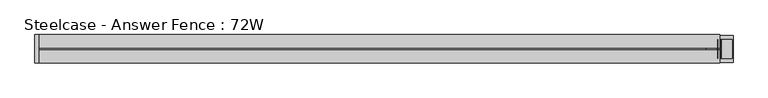
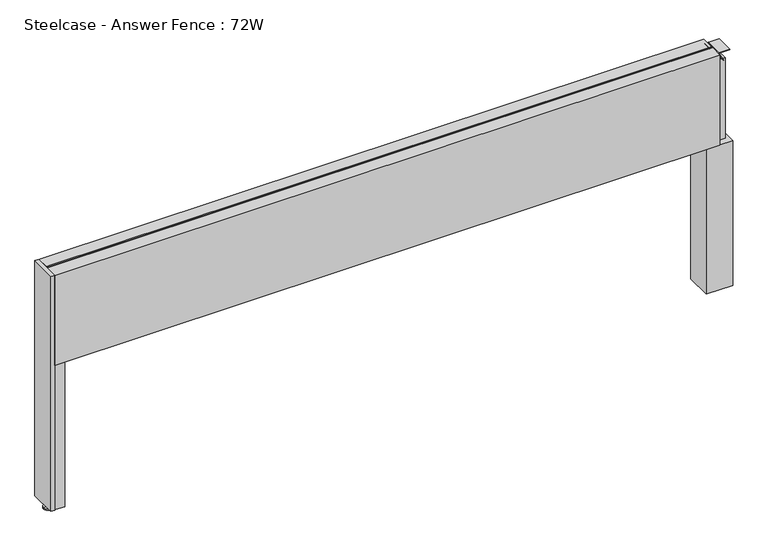
"""IFC4 building model written with IfcOpenShell, lengths in millimetres: furniture geometry, Steelcase - Answer Fence : 72W."""

from ifc_helpers import new_model, si_unit, point, frame, frame_2d, origin, place, context, project, spatial, polyline, circle_curve, trimmed, segment, composite_curve, outline, extrude, source, transform, mapped, element, save
from ifc_brep_helpers import plane_surface, cylinder_surface, revolved_surface, advanced_brep


def steelcase_answer_fence_72w_f67a9e0d(model_context):
    return source(origin(), model_context, "Body", "SolidModel", [
        extrude(outline(polyline([(1825.0153999, 28.9756526), (1825.0153999, -43.7191471), (1752.3206001, -43.7191471), (1752.3206001, 28.9756526), (1825.0153999, 28.9756526)])), frame((0.0, 0.0, 15.4939671), z_axis=(0.0, 0.0, 1.0), x_axis=(1.0, 0.0, 0.0)), (0.0, 0.0, 1.0), 420.9763759),
        extrude(outline(composite_curve([segment(polyline([(694.8271015, 1753.5942703), (694.8271015, 1782.4823183)]), True, "CONTINUOUS"), segment(trimmed(circle_curve(frame_2d((693.8373834, 1782.4823183)), 0.9897181), [point((694.8271015, 1782.4823183))], [point((693.3575585, 1783.3479452))], True, "CARTESIAN"), True, "CONTINUOUS"), segment(polyline([(693.3575585, 1783.3479452), (670.7684479, 1770.8265967), (670.3405135, 1771.5983685), (693.0018984, 1784.1637221)]), True, "CONTINUOUS"), segment(trimmed(circle_curve(frame_2d((693.8919079, 1782.5586063)), 1.8353511), [point((693.0018984, 1784.1637221))], [point((695.7272589, 1782.5586063))], False, "CARTESIAN"), True, "CONTINUOUS"), segment(polyline([(695.7272589, 1782.5586063), (695.7272589, 1753.5942703), (694.8271015, 1753.5942703)]), True, "CONTINUOUS")], self_intersect=False)), frame((0.0, -33.0896971, 0.0), z_axis=(0.0, 1.0, 0.0), x_axis=(0.0, 0.0, 1.0)), (0.0, 0.0, 1.0), 50.8000666),
        extrude(outline(composite_curve([segment(polyline([(694.8271015, 1823.3448547), (695.7272589, 1823.3448547), (695.7272589, 1794.3805187)]), True, "CONTINUOUS"), segment(trimmed(circle_curve(frame_2d((693.8919079, 1794.3805187)), 1.8353511), [point((695.7272589, 1794.3805187))], [point((693.0018984, 1792.7754029))], False, "CARTESIAN"), True, "CONTINUOUS"), segment(polyline([(693.0018984, 1792.7754029), (670.3405135, 1805.3407565), (670.7684479, 1806.1125283), (693.3575585, 1793.5911798)]), True, "CONTINUOUS"), segment(trimmed(circle_curve(frame_2d((693.8373834, 1794.4568067)), 0.9897181), [point((693.3575585, 1793.5911798))], [point((694.8271015, 1794.4568067))], True, "CARTESIAN"), True, "CONTINUOUS"), segment(polyline([(694.8271015, 1794.4568067), (694.8271015, 1823.3448547)]), True, "CONTINUOUS")], self_intersect=False)), frame((0.0, -33.0896971, 0.0), z_axis=(0.0, 1.0, 0.0), x_axis=(0.0, 0.0, 1.0)), (0.0, 0.0, 1.0), 50.8000666),
        extrude(outline(polyline([(1813.9938496, 11.3543833), (1813.9938496, -26.7337081), (1763.1938496, -26.7337081), (1763.1938496, 11.3543833), (1813.9938496, 11.3543833)])), frame((0.0, 0.0, 436.470343), z_axis=(0.0, 0.0, 1.0), x_axis=(1.0, 0.0, 0.0)), (0.0, 0.0, 1.0), 233.7346385),
        advanced_brep(
        [(-47.4460299, -7.4168014, -3.29e-05), (-21.9950726, -7.4168014, -3.29e-05), (-34.7205512, -7.4168014, -3.29e-05), (-47.4460299, -7.4168014, 2.446593), (-21.9950726, -7.4168014, 2.446593), (-39.6754775, -7.4168014, 4.8561413), (-29.765625, -7.4168014, 4.8561413), (-38.5932872, -7.4168014, 4.8561413), (-30.8478153, -7.4168014, 4.8561413), (-38.5932872, -7.4168014, 15.4939671), (-30.8478153, -7.4168014, 15.4939671), (-34.7205512, -7.4168014, 15.4939671)],
        [
            (0, 1, circle_curve(frame((-34.7205512, -7.4168014, -3.29e-05), z_axis=(0.0, 0.0, -1.0), x_axis=(1.0000000000000004, 0.0, 0.0)), 12.7254787)),
            (1, 2),
            (2, 0),
            (1, 0, circle_curve(frame((-34.7205512, -7.4168014, -3.29e-05), z_axis=(0.0, 0.0, -1.0), x_axis=(1.0000000000000004, 0.0, 0.0)), 12.7254787)),
            (3, 4, circle_curve(frame((-34.7205512, -7.4168014, 2.446593), z_axis=(0.0, 0.0, -1.0), x_axis=(1.0000000000000004, 0.0, 0.0)), 12.7254787)),
            (4, 1),
            (0, 3),
            (4, 3, circle_curve(frame((-34.7205512, -7.4168014, 2.446593), z_axis=(0.0, 0.0, -1.0), x_axis=(1.0000000000000004, 0.0, 0.0)), 12.7254787)),
            (5, 6, circle_curve(frame((-34.7205512, -7.4168014, 4.8561413), z_axis=(0.0, 0.0, -1.0), x_axis=(1.0000000000000004, 0.0, 0.0)), 4.9549262)),
            (6, 4),
            (3, 5),
            (6, 5, circle_curve(frame((-34.7205512, -7.4168014, 4.8561413), z_axis=(0.0, 0.0, -1.0), x_axis=(1.0000000000000004, 0.0, 0.0)), 4.9549262)),
            (7, 8, circle_curve(frame((-34.7205512, -7.4168014, 4.8561413), z_axis=(0.0, 0.0, -1.0), x_axis=(1.0000000000000004, 0.0, 0.0)), 3.8727359)),
            (8, 6),
            (5, 7),
            (8, 7, circle_curve(frame((-34.7205512, -7.4168014, 4.8561413), z_axis=(0.0, 0.0, -1.0), x_axis=(1.0000000000000004, 0.0, 0.0)), 3.8727359)),
            (9, 10, circle_curve(frame((-34.7205512, -7.4168014, 15.4939671), z_axis=(0.0, 0.0, -1.0), x_axis=(1.0000000000000004, 0.0, 0.0)), 3.8727359)),
            (10, 8),
            (7, 9),
            (10, 9, circle_curve(frame((-34.7205512, -7.4168014, 15.4939671), z_axis=(0.0, 0.0, -1.0), x_axis=(1.0000000000000004, 0.0, 0.0)), 3.8727359)),
            (11, 10),
            (9, 11),
        ],
        [
            plane_surface(frame((-34.7205512, -7.4168014, -3.29e-05), z_axis=(0.0, 0.0, -1.0), x_axis=(1.0, 0.0, 0.0))),
            cylinder_surface(frame((-34.7205512, -7.4168014, -1.135133), z_axis=(0.0, 0.0, 1.0), x_axis=(1.0000000000000004, 0.0, 0.0)), 12.7254787),
            revolved_surface(polyline([(-21.9950726, -7.4168014, 2.446593), (-29.765625, -7.4168014, 4.8561413)]), (-34.7205512, -7.4168014, -1.135133), (0.0, 0.0, 1.0)),
            plane_surface(frame((-34.7205512, -7.4168014, 4.8561413), z_axis=(0.0, 0.0, 1.0), x_axis=(1.0, 0.0, 0.0))),
            cylinder_surface(frame((-34.7205512, -7.4168014, -1.135133), z_axis=(0.0, 0.0, 1.0), x_axis=(1.0000000000000004, 0.0, 0.0)), 3.8727359),
            plane_surface(frame((-34.7205512, -7.4168014, 15.4939671), z_axis=(0.0, 0.0, 1.0), x_axis=(1.0, 0.0, 0.0))),
        ],
        [
            (0, [[1, 2, 3]]),
            (0, [[4, -3, -2]]),
            (1, [[5, 6, -1, 7]]),
            (1, [[8, -7, -4, -6]]),
            (2, [[9, 10, -5, 11]]),
            (2, [[12, -11, -8, -10]]),
            (3, [[13, 14, -9, 15]]),
            (3, [[16, -15, -12, -14]]),
            (4, [[17, 18, -13, 19]]),
            (4, [[20, -19, -16, -18]]),
            (5, [[21, -17, 22]]),
            (5, [[-22, -20, -21]]),
        ],
    ),
        extrude(outline(polyline([(-9.935178, -43.8092555), (-38.0832543, -43.8092555), (-38.0832543, -32.7724836), (-20.8608215, -32.7724836), (-20.8608215, 18.0275164), (-38.0701573, 18.0275164), (-38.0701573, 28.8855443), (-9.935178, 28.8855443), (-9.935178, -43.8092555)])), frame((0.0, 0.0, 15.4939671), z_axis=(0.0, 0.0, 1.0), x_axis=(1.0, 0.0, 0.0)), (0.0, 0.0, 1.0), 420.9763759),
        extrude(outline(polyline([(-48.2664464, -45.5635028), (-48.2664464, 30.7299), (-38.1, 30.7299), (-38.1, -45.5635028), (-48.2664464, -45.5635028)])), frame((0.0, 0.0, 15.4939671), z_axis=(0.0, 0.0, 1.0), x_axis=(1.0, 0.0, 0.0)), (0.0, 0.0, 1.0), 683.006),
        extrude(outline(polyline([(30.6507456, 698.5), (30.6507456, 436.470343), (-45.5168014, 436.470343), (-45.5168014, 698.5), (-10.7419756, 698.5), (-10.7419756, 695.721875), (-4.4428302, 695.721875), (-4.4428302, 698.5), (30.6507456, 698.5)])), frame((-38.1, 0.0, 0.0), z_axis=(1.0, 0.0, 0.0), x_axis=(0.0, 1.0, 0.0)), (0.0, 0.0, 1.0), 1826.768),
    ])


if __name__ == "__main__":
    model = new_model("IFC4")
    model_context = context("Model", 3, world=origin())
    ifc_project = project(units=[si_unit("LENGTHUNIT", "METRE", prefix="MILLI")], contexts=[model_context])
    site = spatial("IfcSite", under=ifc_project)
    building = spatial("IfcBuilding", under=site)
    placement = place(None, origin())
    steelcase_answer_fence_72w_shape = steelcase_answer_fence_72w_f67a9e0d(model_context)
    element("IfcFurniture", 1, ObjectType="Steelcase - Answer Fence : 72W", at=placement, inside=building, context=model_context, shape_type="MappedRepresentation", body=[
        mapped(steelcase_answer_fence_72w_shape, transform((0.0, 0.0, 0.0), x_axis=(1.0, 0.0, 0.0), y_axis=(0.0, 1.0, 0.0), z_axis=(0.0, 0.0, 1.0))),
    ])
    save(model, "model.ifc")
